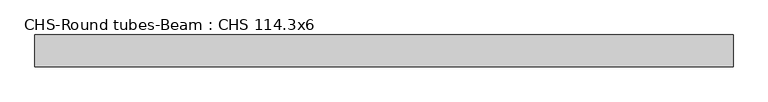
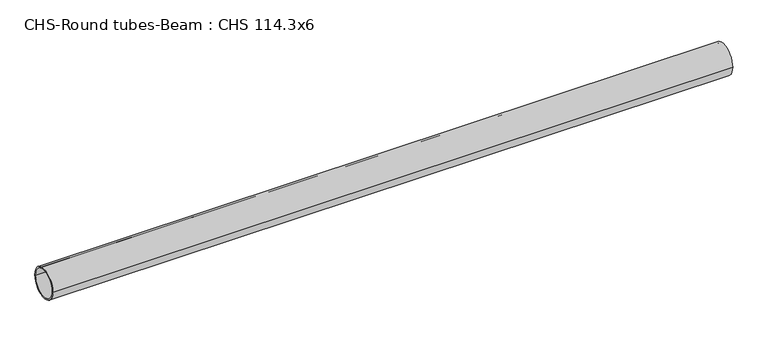
"""IFC4 building model written with IfcOpenShell, lengths in millimetres: beam geometry, CHS-Round tubes-Beam : CHS 114.3x6."""

import ifcopenshell
import ifcopenshell.guid

model = None  # the IFC model being written
_history = None  # IfcOwnerHistory: only IFC2X3 demands one
_inside = {}  # id of a spatial element -> (the spatial element, [elements in it])
_under = {}  # id of a project, library or spatial element -> (it, [spatial elements below it])
_declared = {}  # id of a project -> (the project, [libraries it declares])
_typed = {}  # id of a type object -> (the type object, [elements of that type])
_made_of = {}  # id of a material, layer set ... -> (it, [elements and type objects made of it])


def new_model(schema):
    """Start an empty IFC model of exactly this schema.

    Asked for "IFC4X3", IfcOpenShell would pick the latest addendum, in which some entities
    have other attributes; the version numbers below select the first issue.
    IFC2X3 requires an IfcOwnerHistory on every rooted entity: one is made here for all.
    """
    global model, _history
    if schema == "IFC4X3":
        model = ifcopenshell.file(schema_version=(4, 3, 0, 0))
    else:
        model = ifcopenshell.file(schema=schema)
    _inside.clear()
    _under.clear()
    _declared.clear()
    _typed.clear()
    _made_of.clear()
    _history = None
    if model.schema == "IFC2X3":
        org = make("IfcOrganization", Name="unknown")
        user = make(
            "IfcPersonAndOrganization",
            ThePerson=make("IfcPerson", FamilyName="unknown"),
            TheOrganization=org,
        )
        app = make(
            "IfcApplication",
            ApplicationDeveloper=org,
            Version="unknown",
            ApplicationFullName="unknown",
            ApplicationIdentifier="unknown",
        )
        _history = make(
            "IfcOwnerHistory",
            OwningUser=user,
            OwningApplication=app,
            ChangeAction="ADDED",
            CreationDate=0,
        )
    return model


def make(cls, **values):
    """One entity of the class cls with the attributes given. An attribute that is None is left unset."""
    return model.create_entity(
        cls, **{name: value for name, value in values.items() if value is not None}
    )


def rooted(cls, **values):
    """An entity with a GlobalId (a new one), such as an element, a storey or a relation."""
    return make(cls, GlobalId=ifcopenshell.guid.new(), OwnerHistory=_history, **values)


def si_unit(unit_type, name, prefix=None):
    """IfcSIUnit, for example si_unit("LENGTHUNIT", "METRE", prefix="MILLI")."""
    return make("IfcSIUnit", UnitType=unit_type, Prefix=prefix, Name=name)


def assignment(units):
    """IfcUnitAssignment: the units of a project."""
    return None if units is None else make("IfcUnitAssignment", Units=units)


def point(xyz):
    """IfcCartesianPoint."""
    return None if xyz is None else make("IfcCartesianPoint", Coordinates=xyz)


def direction(xyz):
    """IfcDirection."""
    return None if xyz is None else make("IfcDirection", DirectionRatios=xyz)


def frame(location, z_axis=None, x_axis=None):
    """IfcAxis2Placement3D, a coordinate frame: its origin and axes. An axis left out is left unset."""
    return make(
        "IfcAxis2Placement3D",
        Location=point(location),
        Axis=direction(z_axis),
        RefDirection=direction(x_axis),
    )


def frame_2d(location, x_axis=None):
    """IfcAxis2Placement2D, a coordinate frame in the plane: its origin and x axis."""
    return make(
        "IfcAxis2Placement2D", Location=point(location), RefDirection=direction(x_axis)
    )


def origin():
    """The frame at (0, 0, 0) with its axes left unset."""
    return frame((0.0, 0.0, 0.0))


def origin_2d():
    """The frame at (0, 0) in the plane with its x axis left unset."""
    return frame_2d((0.0, 0.0))


def place(relative_to, where):
    """IfcLocalPlacement: puts the frame where relative to a parent placement (None: the world)."""
    return make(
        "IfcLocalPlacement", PlacementRelTo=relative_to, RelativePlacement=where
    )


def context(
    kind, dimensions, precision=None, world=None, true_north=None, identifier=None
):
    """IfcGeometricRepresentationContext, for example the 3D "Model" context."""
    return make(
        "IfcGeometricRepresentationContext",
        ContextIdentifier=identifier,
        ContextType=kind,
        CoordinateSpaceDimension=dimensions,
        Precision=precision,
        WorldCoordinateSystem=world,
        TrueNorth=true_north,
    )


def project(units=None, contexts=None):
    """IfcProject with its units and contexts."""
    return rooted(
        "IfcProject",
        Name="project",
        RepresentationContexts=contexts,
        UnitsInContext=assignment(units),
    )


def spatial(cls, under=None, at=None, **own):
    """A site, building, storey or space (cls), placed at a placement, below another one or the project."""
    s = rooted(cls, ObjectPlacement=at, **own)
    if under is not None:
        _under.setdefault(under.id(), (under, []))[1].append(s)
    return s


def circle_curve(where, radius):
    """IfcCircle in the frame where."""
    return make("IfcCircle", Position=where, Radius=radius)


def trimmed(basis, trim1, trim2, sense, master):
    """IfcTrimmedCurve: the piece of a basis curve between two trims."""
    return make(
        "IfcTrimmedCurve",
        BasisCurve=basis,
        Trim1=trim1,
        Trim2=trim2,
        SenseAgreement=sense,
        MasterRepresentation=master,
    )


def segment(curve, same_sense, transition):
    """IfcCompositeCurveSegment."""
    return make(
        "IfcCompositeCurveSegment",
        Transition=transition,
        SameSense=same_sense,
        ParentCurve=curve,
    )


def composite_curve(segments, self_intersect=None):
    """IfcCompositeCurve: segments joined end to end."""
    return make("IfcCompositeCurve", Segments=segments, SelfIntersect=self_intersect)


def outline(outer, holes=None, kind="AREA"):
    """IfcArbitraryClosedProfileDef: a profile drawn as a closed curve; with holes, ...WithVoids."""
    if holes is None:
        return make("IfcArbitraryClosedProfileDef", ProfileType=kind, OuterCurve=outer)
    return make(
        "IfcArbitraryProfileDefWithVoids",
        ProfileType=kind,
        OuterCurve=outer,
        InnerCurves=holes,
    )


def extrude(swept, where, along, depth):
    """IfcExtrudedAreaSolid: the profile swept, set in the frame where, extruded along a direction by depth."""
    return make(
        "IfcExtrudedAreaSolid",
        SweptArea=swept,
        Position=where,
        ExtrudedDirection=direction(along),
        Depth=depth,
    )


def shape(context_of_items, identifier, shape_type, items):
    """IfcShapeRepresentation: the items that make up one representation, for example the "Body"."""
    return make(
        "IfcShapeRepresentation",
        ContextOfItems=context_of_items,
        RepresentationIdentifier=identifier,
        RepresentationType=shape_type,
        Items=items,
    )


def source(mapping_origin, context_of_items, identifier, shape_type, items):
    """IfcRepresentationMap: a shape defined once, which mapped items show again and again."""
    return make(
        "IfcRepresentationMap",
        MappingOrigin=mapping_origin,
        MappedRepresentation=shape(context_of_items, identifier, shape_type, items),
    )


def transform(
    local_origin,
    x_axis=None,
    y_axis=None,
    z_axis=None,
    scale=None,
    scale2=None,
    scale3=None,
    uniform=True,
):
    """IfcCartesianTransformationOperator3D, or its non-uniform kind. x_axis, y_axis, z_axis: its Axis1, 2, 3."""
    if uniform:
        return make(
            "IfcCartesianTransformationOperator3D",
            Axis1=direction(x_axis),
            Axis2=direction(y_axis),
            LocalOrigin=point(local_origin),
            Scale=scale,
            Axis3=direction(z_axis),
        )
    return make(
        "IfcCartesianTransformationOperator3DnonUniform",
        Axis1=direction(x_axis),
        Axis2=direction(y_axis),
        LocalOrigin=point(local_origin),
        Scale=scale,
        Axis3=direction(z_axis),
        Scale2=scale2,
        Scale3=scale3,
    )


def mapped(mapping_source, mapping_target):
    """IfcMappedItem: shows the shape of a source again, moved by a transform."""
    return make(
        "IfcMappedItem", MappingSource=mapping_source, MappingTarget=mapping_target
    )


def made_of(thing, what):
    """Note that an element or type object is made of a material, layer set ...; save() writes the relation."""
    if what is not None:
        _made_of.setdefault(what.id(), (what, []))[1].append(thing)
    return thing


def element(
    cls,
    number,
    at=None,
    inside=None,
    cuts=None,
    type_object=None,
    material=None,
    context=None,
    identifier="Body",
    shape_type=None,
    held_by="IfcProductDefinitionShape",
    body=None,
    shapes=None,
    **own,
):
    """One element of the class cls, such as IfcWall. Its Tag is "e" and its number.

    at: its placement. inside: the storey or other place that contains it. cuts: it is an
    opening in that element (IfcRelVoidsElement). A single representation is given by context,
    identifier, shape_type and body (its items); several are given by shapes. held_by: the class
    of the entity that holds the representations. save() writes the other relations.
    """
    e = rooted(cls, Tag="e%d" % number, ObjectPlacement=at, **own)
    if body is not None:
        shapes = [shape(context, identifier, shape_type, body)]
    if shapes is not None:
        e.Representation = make(held_by, Representations=shapes)
    if inside is not None:
        _inside.setdefault(inside.id(), (inside, []))[1].append(e)
    if cuts is not None:
        rooted(
            "IfcRelVoidsElement", RelatingBuildingElement=cuts, RelatedOpeningElement=e
        )
    if type_object is not None:
        _typed.setdefault(type_object.id(), (type_object, []))[1].append(e)
    return made_of(e, material)


def aggregate(whole, parts):
    """IfcRelAggregates: a whole, such as a stair, and the parts it consists of."""
    return rooted("IfcRelAggregates", RelatingObject=whole, RelatedObjects=parts)


def save(model, path):
    """Write the relations noted so far, then the file.

    IfcRelAggregates (storeys below a building ...), IfcRelContainedInSpatialStructure (elements
    in a storey), IfcRelDefinesByType, IfcRelAssociatesMaterial and IfcRelDeclares: one each for
    every whole, place, type object, material and project.
    """
    for whole, parts in _under.values():
        aggregate(whole, parts)
    for where, things in _inside.values():
        rooted(
            "IfcRelContainedInSpatialStructure",
            RelatedElements=things,
            RelatingStructure=where,
        )
    for kind, things in _typed.values():
        rooted("IfcRelDefinesByType", RelatedObjects=things, RelatingType=kind)
    for what, things in _made_of.values():
        rooted("IfcRelAssociatesMaterial", RelatedObjects=things, RelatingMaterial=what)
    for by, libraries in _declared.values():
        rooted("IfcRelDeclares", RelatingContext=by, RelatedDefinitions=libraries)
    model.write(path)


def chs_round_tubes_beam_chs_114_3x6_dfc54994(model_context):
    return source(origin(), model_context, "Body", "SweptSolid", [
        extrude(outline(composite_curve([segment(trimmed(circle_curve(origin_2d(), 57.15), [point((57.15, 0.0))], [point((-57.15, 0.0))], False, "CARTESIAN"), True, "CONTINUOUS"), segment(trimmed(circle_curve(origin_2d(), 57.15), [point((-57.15, 0.0))], [point((57.15, 0.0))], False, "CARTESIAN"), True, "CONTINUOUS")], self_intersect=False), holes=[composite_curve([segment(trimmed(circle_curve(origin_2d(), 51.15), [point((51.15, 0.0))], [point((-51.15, 0.0))], True, "CARTESIAN"), True, "CONTINUOUS"), segment(trimmed(circle_curve(origin_2d(), 51.15), [point((-51.15, 0.0))], [point((51.15, 0.0))], True, "CARTESIAN"), True, "CONTINUOUS")], self_intersect=False)]), frame((-1212.7109275, 0.0, 0.0), z_axis=(1.0, 0.0, 0.0), x_axis=(0.0, 1.0, 0.0)), (0.0, 0.0, 1.0), 2503.2573054),
    ])


if __name__ == "__main__":
    model = new_model("IFC4")
    model_context = context("Model", 3, world=origin())
    ifc_project = project(units=[si_unit("LENGTHUNIT", "METRE", prefix="MILLI")], contexts=[model_context])
    site = spatial("IfcSite", under=ifc_project)
    building = spatial("IfcBuilding", under=site)
    placement = place(None, origin())
    chs_round_tubes_beam_chs_114_3x6_shape = chs_round_tubes_beam_chs_114_3x6_dfc54994(model_context)
    element("IfcBeam", 1, ObjectType="CHS-Round tubes-Beam : CHS 114.3x6", at=placement, inside=building, context=model_context, shape_type="MappedRepresentation", body=[
        mapped(chs_round_tubes_beam_chs_114_3x6_shape, transform((0.0, 0.0, 0.0), x_axis=(1.0, 0.0, 0.0), y_axis=(0.0, 1.0, 0.0), z_axis=(0.0, 0.0, 1.0))),
    ])
    save(model, "model.ifc")
